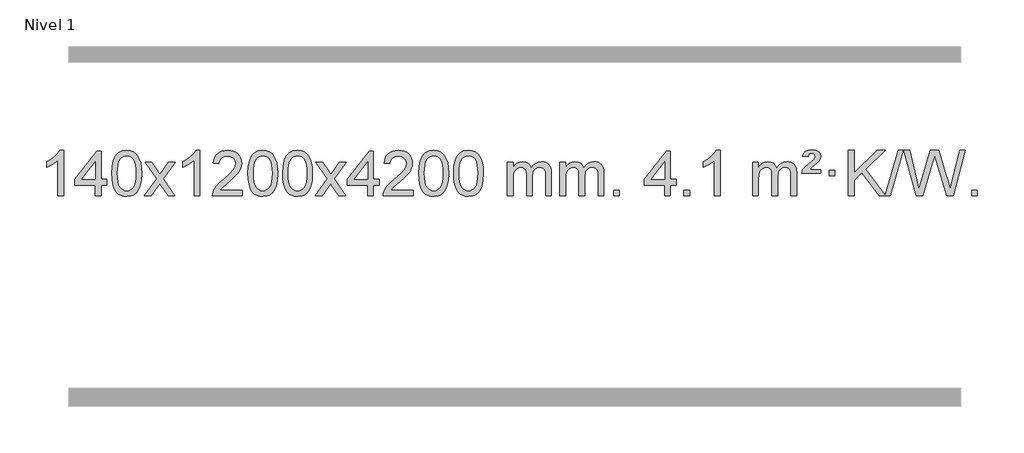
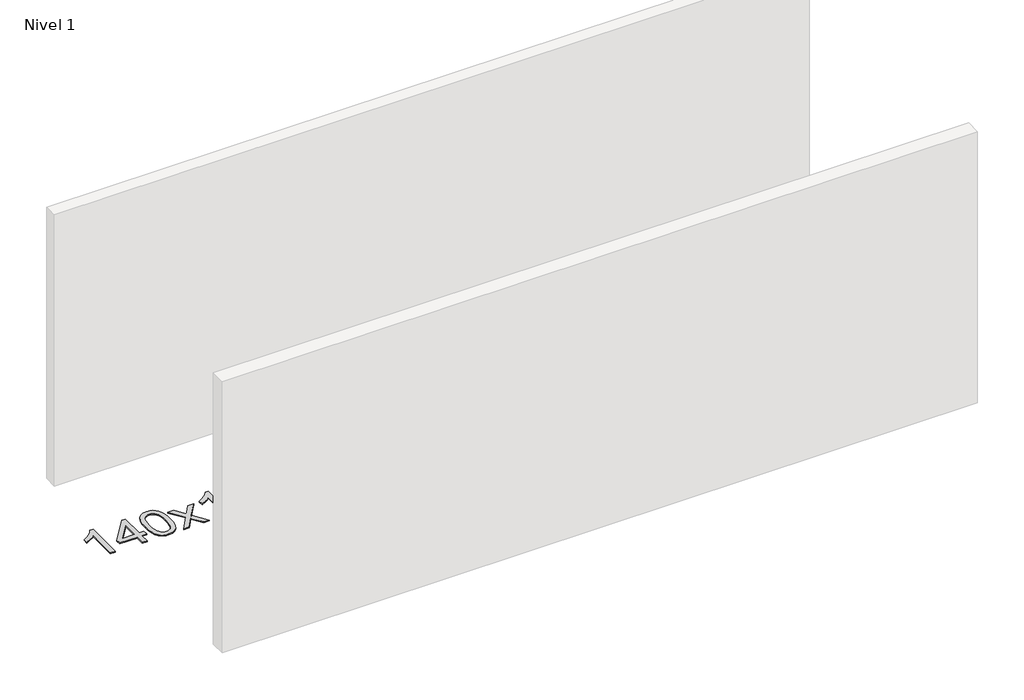
# One storey, part 10 of 16: 1 proxy.
"""IFC4 building model written with IfcOpenShell, lengths in millimetres."""

from ifc_helpers import new_model, si_unit, origin, origin_with_axes, place, context, project, spatial, polyline, outline, extrude, element, save

model = new_model("IFC4")

# Units and contexts
model_context = context("Model", 3, world=origin())
ifc_project = project(units=[si_unit("LENGTHUNIT", "METRE", prefix="MILLI")], contexts=[model_context])

# Site, building, storey
site = spatial("IfcSite", under=ifc_project)
building = spatial("IfcBuilding", under=site)
storey = spatial("IfcBuildingStorey", under=building, Name="Nivel 1", Elevation=0.0)

# Proxy
placement = place(None, origin())
element("IfcBuildingElementProxy", 1, Name="Texto de modelo 1", ObjectType="Texto de modelo 1", at=placement, inside=storey, context=model_context, shape_type="SweptSolid", body=[
    extrude(outline(polyline([(-275.4615788, -15445.579453), (-325.6897338, -15445.579453), (-325.6897338, -15132.4382987), (-346.6590076, -15149.3976587), (-373.2691385, -15166.3324932), (-426.146044, -15191.6918254), (-426.146044, -15144.2105225), (-386.6968314, -15122.7507395), (-352.520594, -15097.219729), (-325.5793692, -15070.0700378), (-307.8351943, -15043.7542124), (-275.4615788, -15043.7542124), (-275.4615788, -15445.579453)])), origin_with_axes(), (0.0, 0.0, 1.0), 10.0),
    extrude(outline(polyline([(7.0717935, -15445.579453), (7.0717935, -15351.4016622), (-175.0052686, -15351.4016622), (-175.0052686, -15301.1735072), (19.6288323, -15050.0327318), (57.2999486, -15050.0327318), (57.2999486, -15301.1735072), (107.5281037, -15301.1735072), (107.5281037, -15351.4016622), (57.2999486, -15351.4016622), (57.2999486, -15445.579453), (7.0717935, -15445.579453)]), holes=[polyline([(7.0717935, -15301.1735072), (7.0717935, -15145.9763561), (-113.2010934, -15301.1735072), (7.0717935, -15301.1735072)])]), origin_with_axes(), (0.0, 0.0, 1.0), 10.0),
    extrude(outline(polyline([(151.4777394, -15247.9041943), (155.1688221, -15183.5861588), (166.2420701, -15132.2911459), (184.5871189, -15093.2343407), (196.4451819, -15078.0009605), (210.0936039, -15065.6309284), (225.5783702, -15056.0598651), (242.9454661, -15049.2233914), (283.3266464, -15043.7542124), (314.277785, -15046.991574), (341.9915619, -15056.7036586), (365.1681276, -15072.5103217), (382.5076323, -15094.0314184), (395.6042314, -15121.0830078), (406.05208, -15153.4811488), (412.8946851, -15194.6226186), (415.1755535, -15247.9041943), (411.521259, -15311.8543477), (400.5583756, -15363.0267333), (382.3236913, -15402.1203266), (370.4932195, -15417.3996922), (356.8539945, -15429.8341036), (341.3508341, -15439.4695462), (323.928556, -15446.3520052), (283.3266464, -15451.8579724), (255.6619204, -15449.4667394), (231.1364541, -15442.2930405), (209.7502474, -15430.3368757), (191.5033004, -15413.5982449), (173.9921175, -15383.3399508), (161.4841296, -15345.6381776), (153.9793369, -15300.4929255), (151.4777394, -15247.9041943)]), holes=[polyline([(201.7058944, -15247.8060924), (203.1774224, -15291.4706195), (207.5920064, -15326.8148822), (214.9496463, -15353.8388804), (225.2503421, -15372.5426142), (237.709279, -15385.2682656), (251.5416421, -15394.3580165), (266.7474312, -15399.8118671), (283.3266464, -15401.6298173), (299.9058617, -15399.8057357), (315.1116508, -15394.3334911), (328.9440138, -15385.2130833), (341.4029507, -15372.4445124), (351.7036466, -15353.7101217), (359.0612865, -15326.6922549), (363.4758705, -15291.3909118), (364.9473984, -15247.8060924), (363.5249214, -15205.2973278), (359.2574902, -15170.5753989), (352.145105, -15143.6403055), (342.1877657, -15124.4920476), (329.9372952, -15111.1440625), (315.9455167, -15101.6097875), (300.21243, -15095.8892225), (282.7380352, -15093.9823675), (266.2446591, -15095.6623619), (251.2963874, -15100.7023452), (237.89322, -15109.1023175), (226.0351571, -15120.8622786), (215.3911047, -15141.708925), (207.7882101, -15169.8151094), (203.2264734, -15205.1808319), (201.7058944, -15247.8060924)])]), origin_with_axes(), (0.0, 0.0, 1.0), 10.0),
    extrude(outline(polyline([(440.2896311, -15445.579453), (547.6130718, -15297.2494325), (446.5681504, -15150.4890419), (506.9988995, -15150.4890419), (555.7555266, -15221.122385), (578.5151594, -15254.4770192), (598.2336343, -15227.2047007), (653.7592901, -15150.4890419), (714.1900392, -15150.4890419), (608.0438209, -15297.2494325), (710.2659646, -15445.579453), (649.8352155, -15445.579453), (588.3253459, -15356.4048574), (577.0436314, -15340.1199477), (500.7203801, -15445.579453), (440.2896311, -15445.579453)])), origin_with_axes(), (0.0, 0.0, 1.0), 10.0),
    extrude(outline(polyline([(930.014143, -15445.579453), (879.785988, -15445.579453), (879.785988, -15132.4382987), (858.8167142, -15149.3976587), (832.2065832, -15166.3324932), (779.3296778, -15191.6918254), (779.3296778, -15144.2105225), (818.7788904, -15122.7507395), (852.9551278, -15097.219729), (879.8963526, -15070.0700378), (897.6405275, -15043.7542124), (930.014143, -15043.7542124), (930.014143, -15445.579453)])), origin_with_axes(), (0.0, 0.0, 1.0), 10.0),
    extrude(outline(polyline([(1306.7253061, -15395.3512979), (1306.7253061, -15445.579453), (1043.0274919, -15445.579453), (1044.1311379, -15427.8965918), (1048.4230945, -15410.9494945), (1060.808455, -15383.8856424), (1078.9327747, -15357.6311307), (1105.1504982, -15330.1503456), (1141.8160704, -15299.4076736), (1196.017351, -15251.2641831), (1228.5381194, -15215.7267824), (1244.7985036, -15186.884834), (1250.2186316, -15158.8277005), (1245.1050719, -15133.6768347), (1229.7643927, -15112.7688747), (1206.1831568, -15098.6789943), (1176.347927, -15093.9823675), (1145.0166437, -15098.5686297), (1120.6751184, -15112.3274163), (1104.9665572, -15134.1796068), (1099.5341664, -15163.0460807), (1049.3060113, -15156.7675613), (1053.6255591, -15130.838012), (1061.4829054, -15108.1826125), (1072.8780502, -15088.8013627), (1087.8109935, -15072.6942627), (1105.9383788, -15060.0329907), (1126.9168496, -15050.989225), (1150.7464058, -15045.5629655), (1177.4270475, -15043.7542124), (1204.3468125, -15045.7653006), (1228.3051275, -15051.7985654), (1249.3019923, -15061.8540066), (1267.3374071, -15075.9316242), (1281.8227607, -15092.9890861), (1292.1694418, -15111.9840598), (1298.3774505, -15132.9165453), (1300.4467867, -15155.7865427), (1298.2149693, -15179.8092369), (1291.519517, -15203.4149983), (1279.6369285, -15227.4254299), (1261.8437027, -15252.6621347), (1233.4800009, -15282.7916701), (1189.8859844, -15321.4805933), (1132.1039857, -15369.795762), (1109.4424548, -15395.3512979), (1306.7253061, -15395.3512979)])), origin_with_axes(), (0.0, 0.0, 1.0), 10.0),
    extrude(outline(polyline([(1356.9534612, -15247.9041943), (1360.6445439, -15183.5861588), (1371.7177919, -15132.2911459), (1390.0628407, -15093.2343407), (1401.9209037, -15078.0009605), (1415.5693257, -15065.6309284), (1431.054092, -15056.0598651), (1448.4211879, -15049.2233914), (1488.8023682, -15043.7542124), (1519.7535068, -15046.991574), (1547.4672837, -15056.7036586), (1570.6438494, -15072.5103217), (1587.9833541, -15094.0314184), (1601.0799532, -15121.0830078), (1611.5278018, -15153.4811488), (1618.3704069, -15194.6226186), (1620.6512753, -15247.9041943), (1616.9969808, -15311.8543477), (1606.0340974, -15363.0267333), (1587.7994131, -15402.1203266), (1575.9689413, -15417.3996922), (1562.3297163, -15429.8341036), (1546.8265559, -15439.4695462), (1529.4042778, -15446.3520052), (1488.8023682, -15451.8579724), (1461.1376422, -15449.4667394), (1436.6121759, -15442.2930405), (1415.2259692, -15430.3368757), (1396.9790222, -15413.5982449), (1379.4678393, -15383.3399508), (1366.9598514, -15345.6381776), (1359.4550587, -15300.4929255), (1356.9534612, -15247.9041943)]), holes=[polyline([(1407.1816162, -15247.8060924), (1408.6531442, -15291.4706195), (1413.0677282, -15326.8148822), (1420.4253681, -15353.8388804), (1430.7260639, -15372.5426142), (1443.1850008, -15385.2682656), (1457.0173639, -15394.3580165), (1472.223153, -15399.8118671), (1488.8023682, -15401.6298173), (1505.3815835, -15399.8057357), (1520.5873726, -15394.3334911), (1534.4197356, -15385.2130833), (1546.8786725, -15372.4445124), (1557.1793684, -15353.7101217), (1564.5370083, -15326.6922549), (1568.9515923, -15291.3909118), (1570.4231202, -15247.8060924), (1569.0006432, -15205.2973278), (1564.733212, -15170.5753989), (1557.6208268, -15143.6403055), (1547.6634875, -15124.4920476), (1535.413017, -15111.1440625), (1521.4212385, -15101.6097875), (1505.6881518, -15095.8892225), (1488.213757, -15093.9823675), (1471.7203809, -15095.6623619), (1456.7721092, -15100.7023452), (1443.3689418, -15109.1023175), (1431.5108789, -15120.8622786), (1420.8668265, -15141.708925), (1413.2639319, -15169.8151094), (1408.7021952, -15205.1808319), (1407.1816162, -15247.8060924)])]), origin_with_axes(), (0.0, 0.0, 1.0), 10.0),
    extrude(outline(polyline([(1664.600911, -15247.9041943), (1668.2919937, -15183.5861588), (1679.3652417, -15132.2911459), (1697.7102906, -15093.2343407), (1709.5683535, -15078.0009605), (1723.2167756, -15065.6309284), (1738.7015419, -15056.0598651), (1756.0686377, -15049.2233914), (1796.4498181, -15043.7542124), (1827.4009566, -15046.991574), (1855.1147336, -15056.7036586), (1878.2912993, -15072.5103217), (1895.630804, -15094.0314184), (1908.727403, -15121.0830078), (1919.1752517, -15153.4811488), (1926.0178568, -15194.6226186), (1928.2987251, -15247.9041943), (1924.6444307, -15311.8543477), (1913.6815472, -15363.0267333), (1895.446863, -15402.1203266), (1883.6163911, -15417.3996922), (1869.9771662, -15429.8341036), (1854.4740058, -15439.4695462), (1837.0517276, -15446.3520052), (1796.4498181, -15451.8579724), (1768.785092, -15449.4667394), (1744.2596257, -15442.2930405), (1722.873419, -15430.3368757), (1704.6264721, -15413.5982449), (1687.1152891, -15383.3399508), (1674.6073013, -15345.6381776), (1667.1025086, -15300.4929255), (1664.600911, -15247.9041943)]), holes=[polyline([(1714.8290661, -15247.8060924), (1716.3005941, -15291.4706195), (1720.715178, -15326.8148822), (1728.0728179, -15353.8388804), (1738.3735138, -15372.5426142), (1750.8324507, -15385.2682656), (1764.6648137, -15394.3580165), (1779.8706028, -15399.8118671), (1796.4498181, -15401.6298173), (1813.0290333, -15399.8057357), (1828.2348225, -15394.3334911), (1842.0671855, -15385.2130833), (1854.5261224, -15372.4445124), (1864.8268182, -15353.7101217), (1872.1844581, -15326.6922549), (1876.5990421, -15291.3909118), (1878.0705701, -15247.8060924), (1876.648093, -15205.2973278), (1872.3806619, -15170.5753989), (1865.2682766, -15143.6403055), (1855.3109373, -15124.4920476), (1843.0604669, -15111.1440625), (1829.0686883, -15101.6097875), (1813.3356016, -15095.8892225), (1795.8612069, -15093.9823675), (1779.3678308, -15095.6623619), (1764.419559, -15100.7023452), (1751.0163917, -15109.1023175), (1739.1583287, -15120.8622786), (1728.5142763, -15141.708925), (1720.9113817, -15169.8151094), (1716.349645, -15205.1808319), (1714.8290661, -15247.8060924)])]), origin_with_axes(), (0.0, 0.0, 1.0), 10.0),
    extrude(outline(polyline([(1953.4128027, -15445.579453), (2060.7362434, -15297.2494325), (1959.6913221, -15150.4890419), (2020.1220711, -15150.4890419), (2068.8786982, -15221.122385), (2091.638331, -15254.4770192), (2111.3568059, -15227.2047007), (2166.8824617, -15150.4890419), (2227.3132108, -15150.4890419), (2121.1669925, -15297.2494325), (2223.3891362, -15445.579453), (2162.9583871, -15445.579453), (2101.4485175, -15356.4048574), (2090.166803, -15340.1199477), (2013.8435518, -15445.579453), (1953.4128027, -15445.579453)])), origin_with_axes(), (0.0, 0.0, 1.0), 10.0),
    extrude(outline(polyline([(2418.0232371, -15445.579453), (2418.0232371, -15351.4016622), (2235.946175, -15351.4016622), (2235.946175, -15301.1735072), (2430.5802759, -15050.0327318), (2468.2513922, -15050.0327318), (2468.2513922, -15301.1735072), (2518.4795473, -15301.1735072), (2518.4795473, -15351.4016622), (2468.2513922, -15351.4016622), (2468.2513922, -15445.579453), (2418.0232371, -15445.579453)]), holes=[polyline([(2418.0232371, -15301.1735072), (2418.0232371, -15145.9763561), (2297.7503502, -15301.1735072), (2418.0232371, -15301.1735072)])]), origin_with_axes(), (0.0, 0.0, 1.0), 10.0),
    extrude(outline(polyline([(2819.8484777, -15395.3512979), (2819.8484777, -15445.579453), (2556.1506636, -15445.579453), (2557.2543096, -15427.8965918), (2561.5462662, -15410.9494945), (2573.9316267, -15383.8856424), (2592.0559463, -15357.6311307), (2618.2736698, -15330.1503456), (2654.939242, -15299.4076736), (2709.1405226, -15251.2641831), (2741.661291, -15215.7267824), (2757.9216752, -15186.884834), (2763.3418033, -15158.8277005), (2758.2282435, -15133.6768347), (2742.8875643, -15112.7688747), (2719.3063284, -15098.6789943), (2689.4710986, -15093.9823675), (2658.1398154, -15098.5686297), (2633.79829, -15112.3274163), (2618.0897288, -15134.1796068), (2612.657338, -15163.0460807), (2562.429183, -15156.7675613), (2566.7487307, -15130.838012), (2574.606077, -15108.1826125), (2586.0012218, -15088.8013627), (2600.9341651, -15072.6942627), (2619.0615504, -15060.0329907), (2640.0400212, -15050.989225), (2663.8695774, -15045.5629655), (2690.5502191, -15043.7542124), (2717.4699841, -15045.7653006), (2741.4282991, -15051.7985654), (2762.425164, -15061.8540066), (2780.4605788, -15075.9316242), (2794.9459323, -15092.9890861), (2805.2926134, -15111.9840598), (2811.5006221, -15132.9165453), (2813.5699583, -15155.7865427), (2811.3381409, -15179.8092369), (2804.6426886, -15203.4149983), (2792.7601001, -15227.4254299), (2774.9668743, -15252.6621347), (2746.6031725, -15282.7916701), (2703.0091561, -15321.4805933), (2645.2271573, -15369.795762), (2622.5656264, -15395.3512979), (2819.8484777, -15395.3512979)])), origin_with_axes(), (0.0, 0.0, 1.0), 10.0),
    extrude(outline(polyline([(2870.0766328, -15247.9041943), (2873.7677155, -15183.5861588), (2884.8409635, -15132.2911459), (2903.1860124, -15093.2343407), (2915.0440753, -15078.0009605), (2928.6924974, -15065.6309284), (2944.1772637, -15056.0598651), (2961.5443595, -15049.2233914), (3001.9255399, -15043.7542124), (3032.8766784, -15046.991574), (3060.5904554, -15056.7036586), (3083.7670211, -15072.5103217), (3101.1065258, -15094.0314184), (3114.2031248, -15121.0830078), (3124.6509735, -15153.4811488), (3131.4935786, -15194.6226186), (3133.7744469, -15247.9041943), (3130.1201525, -15311.8543477), (3119.157269, -15363.0267333), (3100.9225848, -15402.1203266), (3089.0921129, -15417.3996922), (3075.452888, -15429.8341036), (3059.9497276, -15439.4695462), (3042.5274494, -15446.3520052), (3001.9255399, -15451.8579724), (2974.2608138, -15449.4667394), (2949.7353475, -15442.2930405), (2928.3491408, -15430.3368757), (2910.1021939, -15413.5982449), (2892.5910109, -15383.3399508), (2880.0830231, -15345.6381776), (2872.5782304, -15300.4929255), (2870.0766328, -15247.9041943)]), holes=[polyline([(2920.3047879, -15247.8060924), (2921.7763158, -15291.4706195), (2926.1908998, -15326.8148822), (2933.5485397, -15353.8388804), (2943.8492356, -15372.5426142), (2956.3081725, -15385.2682656), (2970.1405355, -15394.3580165), (2985.3463246, -15399.8118671), (3001.9255399, -15401.6298173), (3018.5047551, -15399.8057357), (3033.7105442, -15394.3334911), (3047.5429073, -15385.2130833), (3060.0018442, -15372.4445124), (3070.30254, -15353.7101217), (3077.6601799, -15326.6922549), (3082.0747639, -15291.3909118), (3083.5462919, -15247.8060924), (3082.1238148, -15205.2973278), (3077.8563837, -15170.5753989), (3070.7439984, -15143.6403055), (3060.7866591, -15124.4920476), (3048.5361887, -15111.1440625), (3034.5444101, -15101.6097875), (3018.8113234, -15095.8892225), (3001.3369287, -15093.9823675), (2984.8435526, -15095.6623619), (2969.8952808, -15100.7023452), (2956.4921135, -15109.1023175), (2944.6340505, -15120.8622786), (2933.9899981, -15141.708925), (2926.3871035, -15169.8151094), (2921.8253668, -15205.1808319), (2920.3047879, -15247.8060924)])]), origin_with_axes(), (0.0, 0.0, 1.0), 10.0),
    extrude(outline(polyline([(3177.7240826, -15247.9041943), (3181.4151653, -15183.5861588), (3192.4884134, -15132.2911459), (3210.8334622, -15093.2343407), (3222.6915252, -15078.0009605), (3236.3399472, -15065.6309284), (3251.8247135, -15056.0598651), (3269.1918094, -15049.2233914), (3309.5729897, -15043.7542124), (3340.5241282, -15046.991574), (3368.2379052, -15056.7036586), (3391.4144709, -15072.5103217), (3408.7539756, -15094.0314184), (3421.8505746, -15121.0830078), (3432.2984233, -15153.4811488), (3439.1410284, -15194.6226186), (3441.4218968, -15247.9041943), (3437.7676023, -15311.8543477), (3426.8047188, -15363.0267333), (3408.5700346, -15402.1203266), (3396.7395628, -15417.3996922), (3383.1003378, -15429.8341036), (3367.5971774, -15439.4695462), (3350.1748992, -15446.3520052), (3309.5729897, -15451.8579724), (3281.9082637, -15449.4667394), (3257.3827973, -15442.2930405), (3235.9965907, -15430.3368757), (3217.7496437, -15413.5982449), (3200.2384607, -15383.3399508), (3187.7304729, -15345.6381776), (3180.2256802, -15300.4929255), (3177.7240826, -15247.9041943)]), holes=[polyline([(3227.9522377, -15247.8060924), (3229.4237657, -15291.4706195), (3233.8383496, -15326.8148822), (3241.1959895, -15353.8388804), (3251.4966854, -15372.5426142), (3263.9556223, -15385.2682656), (3277.7879853, -15394.3580165), (3292.9937744, -15399.8118671), (3309.5729897, -15401.6298173), (3326.1522049, -15399.8057357), (3341.3579941, -15394.3334911), (3355.1903571, -15385.2130833), (3367.649294, -15372.4445124), (3377.9499899, -15353.7101217), (3385.3076298, -15326.6922549), (3389.7222137, -15291.3909118), (3391.1937417, -15247.8060924), (3389.7712646, -15205.2973278), (3385.5038335, -15170.5753989), (3378.3914483, -15143.6403055), (3368.4341089, -15124.4920476), (3356.1836385, -15111.1440625), (3342.1918599, -15101.6097875), (3326.4587733, -15095.8892225), (3308.9843785, -15093.9823675), (3292.4910024, -15095.6623619), (3277.5427307, -15100.7023452), (3264.1395633, -15109.1023175), (3252.2815003, -15120.8622786), (3241.6374479, -15141.708925), (3234.0345534, -15169.8151094), (3229.4728166, -15205.1808319), (3227.9522377, -15247.8060924)])]), origin_with_axes(), (0.0, 0.0, 1.0), 10.0),
    extrude(outline(polyline([(3654.8915558, -15445.579453), (3654.8915558, -15150.4890419), (3705.1197109, -15150.4890419), (3705.1197109, -15199.0494653), (3720.2273982, -15176.7435537), (3739.6515675, -15159.2691589), (3762.7300314, -15147.9751816), (3788.8006021, -15144.2105225), (3816.7351082, -15148.048758), (3839.126859, -15159.5634645), (3855.8532271, -15177.9943524), (3866.7915851, -15202.5811324), (3885.0998457, -15177.0439906), (3905.9832803, -15158.803175), (3929.4418888, -15147.8586857), (3955.4756714, -15144.2105225), (3975.5834881, -15145.7280358), (3993.2326268, -15150.2805755), (4008.4230875, -15157.8681416), (4021.1548702, -15168.4907342), (4031.2195085, -15182.2709806), (4038.4085358, -15199.3315082), (4042.7219522, -15219.6723168), (4044.1597577, -15243.2934066), (4044.1597577, -15445.579453), (3993.9316026, -15445.579453), (3993.9316026, -15264.875817), (3992.7666429, -15239.8230531), (3989.271764, -15222.9372695), (3982.7234645, -15211.3735121), (3972.3982431, -15202.2868268), (3959.1177031, -15196.4007149), (3943.7034475, -15194.4386776), (3916.4924426, -15199.4663982), (3894.3091583, -15214.54956), (3885.7037853, -15226.1194488), (3879.5570903, -15240.7182326), (3874.6397343, -15279.0024856), (3874.6397343, -15445.579453), (3824.4115792, -15445.579453), (3824.4115792, -15259.2840106), (3821.5053115, -15230.8835206), (3812.7865082, -15210.6254854), (3797.445829, -15198.4853796), (3774.6739335, -15194.4386776), (3755.3233405, -15197.1364789), (3737.4933265, -15205.2298828), (3722.7780467, -15218.5226856), (3712.7716564, -15236.8186835), (3707.0326973, -15262.2025411), (3705.1197109, -15296.7589232), (3705.1197109, -15445.579453), (3654.8915558, -15445.579453)])), origin_with_axes(), (0.0, 0.0, 1.0), 10.0),
    extrude(outline(polyline([(4119.5019903, -15445.579453), (4119.5019903, -15150.4890419), (4169.7301454, -15150.4890419), (4169.7301454, -15199.0494653), (4184.8378326, -15176.7435537), (4204.262002, -15159.2691589), (4227.3404658, -15147.9751816), (4253.4110365, -15144.2105225), (4281.3455427, -15148.048758), (4303.7372935, -15159.5634645), (4320.4636615, -15177.9943524), (4331.4020195, -15202.5811324), (4349.7102801, -15177.0439906), (4370.5937147, -15158.803175), (4394.0523233, -15147.8586857), (4420.0861058, -15144.2105225), (4440.1939225, -15145.7280358), (4457.8430612, -15150.2805755), (4473.033522, -15157.8681416), (4485.7653047, -15168.4907342), (4495.8299429, -15182.2709806), (4503.0189703, -15199.3315082), (4507.3323866, -15219.6723168), (4508.7701921, -15243.2934066), (4508.7701921, -15445.579453), (4458.542037, -15445.579453), (4458.542037, -15264.875817), (4457.3770774, -15239.8230531), (4453.8821984, -15222.9372695), (4447.3338989, -15211.3735121), (4437.0086776, -15202.2868268), (4423.7281376, -15196.4007149), (4408.313882, -15194.4386776), (4381.1028771, -15199.4663982), (4358.9195927, -15214.54956), (4350.3142197, -15226.1194488), (4344.1675247, -15240.7182326), (4339.2501687, -15279.0024856), (4339.2501687, -15445.579453), (4289.0220137, -15445.579453), (4289.0220137, -15259.2840106), (4286.1157459, -15230.8835206), (4277.3969426, -15210.6254854), (4262.0562634, -15198.4853796), (4239.2843679, -15194.4386776), (4219.933775, -15197.1364789), (4202.1037609, -15205.2298828), (4187.3884811, -15218.5226856), (4177.3820909, -15236.8186835), (4171.6431317, -15262.2025411), (4169.7301454, -15296.7589232), (4169.7301454, -15445.579453), (4119.5019903, -15445.579453)])), origin_with_axes(), (0.0, 0.0, 1.0), 10.0),
    extrude(outline(polyline([(4596.6694635, -15445.579453), (4596.6694635, -15395.3512979), (4646.8976186, -15395.3512979), (4646.8976186, -15445.579453), (4596.6694635, -15445.579453)])), origin_with_axes(), (0.0, 0.0, 1.0), 10.0),
    extrude(outline(polyline([(5048.7228592, -15445.579453), (5048.7228592, -15351.4016622), (4866.645797, -15351.4016622), (4866.645797, -15301.1735072), (5061.2798979, -15050.0327318), (5098.9510142, -15050.0327318), (5098.9510142, -15301.1735072), (5149.1791693, -15301.1735072), (5149.1791693, -15351.4016622), (5098.9510142, -15351.4016622), (5098.9510142, -15445.579453), (5048.7228592, -15445.579453)]), holes=[polyline([(5048.7228592, -15301.1735072), (5048.7228592, -15145.9763561), (4928.4499722, -15301.1735072), (5048.7228592, -15301.1735072)])]), origin_with_axes(), (0.0, 0.0, 1.0), 10.0),
    extrude(outline(polyline([(5218.2428825, -15445.579453), (5218.2428825, -15395.3512979), (5268.4710376, -15395.3512979), (5268.4710376, -15445.579453), (5218.2428825, -15445.579453)])), origin_with_axes(), (0.0, 0.0, 1.0), 10.0),
    extrude(outline(polyline([(5538.4473711, -15445.579453), (5488.2192161, -15445.579453), (5488.2192161, -15132.4382987), (5467.2499423, -15149.3976587), (5440.6398114, -15166.3324932), (5387.7629059, -15191.6918254), (5387.7629059, -15144.2105225), (5427.2121185, -15122.7507395), (5461.3883559, -15097.219729), (5488.3295807, -15070.0700378), (5506.0737556, -15043.7542124), (5538.4473711, -15043.7542124), (5538.4473711, -15445.579453)])), origin_with_axes(), (0.0, 0.0, 1.0), 10.0),
    extrude(outline(polyline([(5827.2592628, -15445.579453), (5827.2592628, -15150.4890419), (5877.4874179, -15150.4890419), (5877.4874179, -15199.0494653), (5892.5951052, -15176.7435537), (5912.0192745, -15159.2691589), (5935.0977383, -15147.9751816), (5961.1683091, -15144.2105225), (5989.1028152, -15148.048758), (6011.494566, -15159.5634645), (6028.2209341, -15177.9943524), (6039.159292, -15202.5811324), (6057.4675527, -15177.0439906), (6078.3509873, -15158.803175), (6101.8095958, -15147.8586857), (6127.8433783, -15144.2105225), (6147.9511951, -15145.7280358), (6165.6003338, -15150.2805755), (6180.7907945, -15157.8681416), (6193.5225772, -15168.4907342), (6203.5872155, -15182.2709806), (6210.7762428, -15199.3315082), (6215.0896592, -15219.6723168), (6216.5274647, -15243.2934066), (6216.5274647, -15445.579453), (6166.2993096, -15445.579453), (6166.2993096, -15264.875817), (6165.1343499, -15239.8230531), (6161.639471, -15222.9372695), (6155.0911715, -15211.3735121), (6144.7659501, -15202.2868268), (6131.4854101, -15196.4007149), (6116.0711545, -15194.4386776), (6088.8601496, -15199.4663982), (6066.6768653, -15214.54956), (6058.0714923, -15226.1194488), (6051.9247973, -15240.7182326), (6047.0074413, -15279.0024856), (6047.0074413, -15445.579453), (5996.7792862, -15445.579453), (5996.7792862, -15259.2840106), (5993.8730184, -15230.8835206), (5985.1542152, -15210.6254854), (5969.813536, -15198.4853796), (5947.0416405, -15194.4386776), (5927.6910475, -15197.1364789), (5909.8610335, -15205.2298828), (5895.1457537, -15218.5226856), (5885.1393634, -15236.8186835), (5879.4004043, -15262.2025411), (5877.4874179, -15296.7589232), (5877.4874179, -15445.579453), (5827.2592628, -15445.579453)])), origin_with_axes(), (0.0, 0.0, 1.0), 10.0),
    extrude(outline(polyline([(6260.4771003, -15244.6668327), (6264.3030731, -15228.8479069), (6272.6417317, -15212.9799302), (6294.1505656, -15187.8413272), (6326.1072483, -15160.1030247), (6370.2530877, -15122.726214), (6377.3899984, -15111.1992448), (6379.7689686, -15099.3779701), (6377.8805077, -15087.2869152), (6372.215125, -15077.5012541), (6362.8463969, -15071.026531), (6349.8478997, -15068.8682899), (6337.4134883, -15070.4869707), (6328.5597949, -15075.343013), (6322.1341227, -15084.8098431), (6316.9837748, -15100.2608869), (6266.7556197, -15093.9823675), (6277.5958759, -15068.7701881), (6294.224142, -15051.2099542), (6317.9893189, -15040.9092583), (6350.2403072, -15037.475693), (6386.0229626, -15041.6082341), (6410.7691581, -15054.0058573), (6425.1901323, -15072.3386434), (6429.9971237, -15094.2766731), (6425.9013708, -15117.1834586), (6413.6141122, -15138.8149199), (6393.0862969, -15158.6314968), (6356.6169284, -15186.6886303), (6331.0123416, -15213.2742358), (6429.9971237, -15213.2742358), (6429.9971237, -15244.6668327), (6260.4771003, -15244.6668327)])), origin_with_axes(), (0.0, 0.0, 1.0), 10.0),
    extrude(outline(polyline([(6505.3393563, -15269.7809102), (6505.3393563, -15219.5527552), (6555.5675114, -15219.5527552), (6555.5675114, -15269.7809102), (6505.3393563, -15269.7809102)])), origin_with_axes(), (0.0, 0.0, 1.0), 10.0),
    extrude(outline(polyline([(6946.2091394, -15445.579453), (6792.7778219, -15242.9009991), (6725.0875348, -15307.4520265), (6725.0875348, -15445.579453), (6674.8593797, -15445.579453), (6674.8593797, -15043.7542124), (6725.0875348, -15043.7542124), (6725.0875348, -15240.4484525), (6931.1014521, -15043.7542124), (7001.3423877, -15043.7542124), (6828.388799, -15208.9577537), (7003.0424089, -15439.5349332), (7114.3557366, -15043.7542124), (7159.6787984, -15043.7542124), (7046.6654495, -15445.579453), (7007.6209071, -15445.579453), (7001.3423877, -15445.579453), (6946.2091394, -15445.579453)])), origin_with_axes(), (0.0, 0.0, 1.0), 10.0),
    extrude(outline(polyline([(7274.1636753, -15445.579453), (7164.5838917, -15043.7542124), (7216.3816766, -15043.7542124), (7279.9516854, -15307.844434), (7299.5720585, -15389.3670841), (7320.5658576, -15317.2622131), (7400.2245723, -15043.7542124), (7474.8800919, -15043.7542124), (7532.7601925, -15242.0180823), (7557.5554389, -15315.5944814), (7575.8269114, -15389.3670841), (7594.8586732, -15310.1988788), (7659.0172932, -15043.7542124), (7710.8150781, -15043.7542124), (7601.1371926, -15445.579453), (7547.4754723, -15445.579453), (7451.1394405, -15135.5775584), (7437.6994849, -15092.3146358), (7422.5917976, -15144.4067263), (7334.7906281, -15445.579453), (7274.1636753, -15445.579453)])), origin_with_axes(), (0.0, 0.0, 1.0), 10.0),
    extrude(outline(polyline([(7767.3217526, -15445.579453), (7767.3217526, -15395.3512979), (7817.5499077, -15395.3512979), (7817.5499077, -15445.579453), (7767.3217526, -15445.579453)])), origin_with_axes(), (0.0, 0.0, 1.0), 10.0),
])

save(model, "model.ifc")
